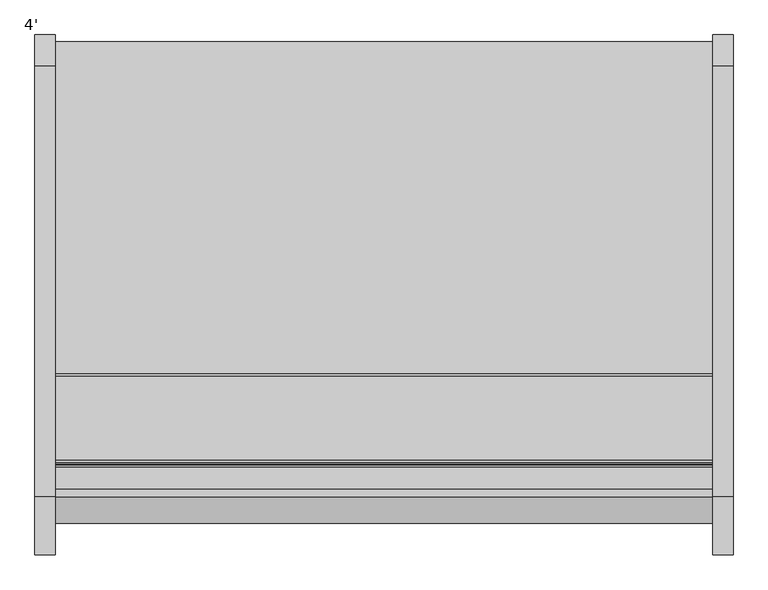
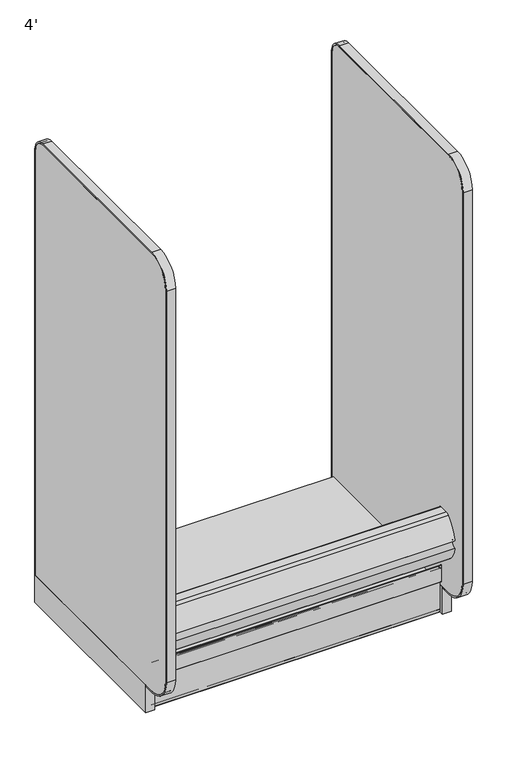
"""IFC4 building model written with IfcOpenShell, lengths in millimetres: proxy geometry, 4'."""

from ifc_helpers import new_model, si_unit, point, frame, frame_2d, origin, origin_with_axes, place, context, project, spatial, polyline, circle_curve, trimmed, segment, composite_curve, outline, extrude, source, transform, mapped, element, save
from ifc_brep_helpers import plane_surface, cylinder_surface, revolved_surface, advanced_brep


def proxy_4_6ca3ebfe(model_context):
    return source(origin(), model_context, "Body", "SolidModel", [
        extrude(outline(composite_curve([segment(polyline([(-1243.8542655, 286.2737065), (-1261.7115584, 286.2737065)]), True, "CONTINUOUS"), segment(trimmed(circle_curve(frame_2d((-1260.9098694, 292.6237065)), 6.4004067), [point((-1261.7115584, 286.2737065))], [point((-1265.7089904, 288.3888933))], False, "CARTESIAN"), True, "CONTINUOUS"), segment(trimmed(circle_curve(frame_2d((-1170.6951097, 372.230503)), 126.7164276), [point((-1265.7089904, 288.3888933))], [point((-1295.6416388, 351.1255769))], False, "CARTESIAN"), True, "CONTINUOUS"), segment(trimmed(circle_curve(frame_2d((-1293.1554914, 368.3)), 17.3534359), [point((-1295.6416388, 351.1255769))], [point((-1275.8020556, 368.3))], True, "CARTESIAN"), True, "CONTINUOUS"), segment(trimmed(circle_curve(frame_2d((-1293.1554914, 368.3)), 17.3534359), [point((-1275.8020556, 368.3))], [point((-1295.5974754, 385.4807581))], True, "CARTESIAN"), True, "CONTINUOUS"), segment(trimmed(circle_curve(frame_2d((-1123.5833576, 340.4920564)), 177.8), [point((-1295.5974754, 385.4807581))], [point((-1246.7017432, 468.7679432))], False, "CARTESIAN"), True, "CONTINUOUS"), segment(trimmed(circle_curve(frame_2d((-1231.2086688, 452.6258548)), 22.3741452), [point((-1246.7017432, 468.7679432))], [point((-1231.2086688, 475.0))], False, "CARTESIAN"), True, "CONTINUOUS"), segment(polyline([(-1231.2086688, 475.0), (-1191.1416396, 475.0)]), True, "CONTINUOUS"), segment(trimmed(circle_curve(frame_2d((-1191.1416396, 471.8702298)), 3.1297702), [point((-1191.1416396, 475.0))], [point((-1188.0118694, 471.8702298))], False, "CARTESIAN"), True, "CONTINUOUS"), segment(polyline([(-1188.0118694, 471.8702298), (-1188.0118694, 435.4061531), (-1192.8459273, 435.4061531), (-1192.8459273, 391.0306785), (-1243.8542655, 391.0306785), (-1243.8542655, 286.2737065)]), True, "CONTINUOUS")], self_intersect=False)), frame((0.0, 0.0, 0.0), z_axis=(1.0, 0.0, 0.0), x_axis=(0.0, 1.0, 0.0)), (0.0, 0.0, 1.0), 1219.2),
        advanced_brep(
        [(1219.2, -1193.9235446, 202.62215), (1219.2, -1191.4724446, 200.17105), (1219.2, -1185.3954946, 200.17105), (1219.2, -1183.7952946, 198.57085), (1219.2, -1183.7952946, 164.8413675), (1219.2, -1185.5732946, 164.8413675), (1219.2, -1185.5732946, 1.55575), (1219.2, -1184.0175446, 0.0), (1219.2, -1166.8090379, 0.0), (1219.2, -1166.8090379, 0.762), (1219.2, -1184.0175446, 0.762), (1219.2, -1184.8112946, 1.55575), (1219.2, -1183.7952946, 1.55575), (1219.2, -1183.7952946, 95.4659), (1219.2, -1182.9316946, 95.4659), (1219.2, -1182.9316946, 198.57085), (1219.2, -1185.3954946, 201.03465), (1219.2, -1191.3975765, 201.03465), (1219.2, -1193.0599446, 202.6970181), (1219.2, -1193.0599446, 214.9081137), (1219.2, -1194.8379446, 214.9081137), (1219.2, -1194.8379446, 140.8717318), (1219.2, -1193.0599446, 140.8717318), (1219.2, -1193.0599446, 150.2537), (1219.2, -1193.9235446, 150.2537), (0.0, -1193.9235446, 202.62215), (0.0, -1193.9235446, 150.2537), (0.0, -1193.0599446, 150.2537), (0.0, -1193.0599446, 140.8717318), (0.0, -1194.8379446, 140.8717318), (0.0, -1194.8379446, 214.9081137), (0.0, -1193.0599446, 214.9081137), (0.0, -1193.0599446, 202.6970181), (0.0, -1191.3975765, 201.03465), (0.0, -1185.3954946, 201.03465), (0.0, -1182.9316946, 198.57085), (0.0, -1182.9316946, 95.4659), (0.0, -1183.7952946, 95.4659), (0.0, -1183.7952946, 1.55575), (0.0, -1184.8112946, 1.55575), (0.0, -1184.0175446, 0.762), (0.0, -1166.8090379, 0.762), (0.0, -1166.8090379, 0.0), (0.0, -1184.0175446, 0.0), (0.0, -1185.5732946, 1.55575), (0.0, -1185.5732946, 164.8413675), (0.0, -1183.7952946, 164.8413675), (0.0, -1183.7952946, 198.57085), (0.0, -1185.3954946, 200.17105), (0.0, -1191.4724446, 200.17105)],
        [
            (0, 1, circle_curve(frame((1219.2, -1191.4724446, 202.62215), z_axis=(1.0, 0.0, 0.0), x_axis=(0.0, 1.0, 0.0)), 2.4511)),
            (1, 2),
            (2, 3, circle_curve(frame((1219.2, -1185.3954946, 198.57085), z_axis=(-1.0, 0.0, 0.0), x_axis=(0.0, 1.0, 0.0)), 1.6002)),
            (3, 4),
            (4, 5, circle_curve(frame((1219.2, -1184.6842946, 164.8413675), z_axis=(1.0, 0.0, 0.0), x_axis=(0.0, 1.0, 0.0)), 0.889)),
            (5, 6),
            (6, 7, circle_curve(frame((1219.2, -1184.0175446, 1.55575), z_axis=(1.0, 0.0, 0.0), x_axis=(0.0, 1.0, 0.0)), 1.55575)),
            (7, 8),
            (8, 9, circle_curve(frame((1219.2, -1166.8090379, 0.381), z_axis=(1.0, 0.0, 0.0), x_axis=(0.0, 1.0, 0.0)), 0.381)),
            (9, 10),
            (10, 11, circle_curve(frame((1219.2, -1184.0175446, 1.55575), z_axis=(-1.0, 0.0, 0.0), x_axis=(0.0, 1.0, 0.0)), 0.79375)),
            (11, 12),
            (12, 13),
            (13, 14),
            (14, 15),
            (15, 16, circle_curve(frame((1219.2, -1185.3954946, 198.57085), z_axis=(1.0, 0.0, 0.0), x_axis=(0.0, 1.0, 0.0)), 2.4638)),
            (16, 17),
            (17, 18, circle_curve(frame((1219.2, -1191.3975765, 202.6970181), z_axis=(-1.0, 0.0, 0.0), x_axis=(0.0, 1.0, 0.0)), 1.6623681)),
            (18, 19),
            (19, 20, circle_curve(frame((1219.2, -1193.9489446, 214.9081137), z_axis=(1.0, 0.0, 0.0), x_axis=(0.0, 1.0, 0.0)), 0.889)),
            (20, 21),
            (21, 22, circle_curve(frame((1219.2, -1193.9489446, 140.8717318), z_axis=(1.0, 0.0, 0.0), x_axis=(0.0, 1.0, 0.0)), 0.889)),
            (22, 23),
            (23, 24),
            (24, 0),
            (25, 26),
            (26, 27),
            (27, 28),
            (28, 29, circle_curve(frame((0.0, -1193.9489446, 140.8717318), z_axis=(-1.0, 0.0, 0.0), x_axis=(0.0, 1.0, 0.0)), 0.889)),
            (29, 30),
            (30, 31, circle_curve(frame((0.0, -1193.9489446, 214.9081137), z_axis=(-1.0, 0.0, 0.0), x_axis=(0.0, 1.0, 0.0)), 0.889)),
            (31, 32),
            (32, 33, circle_curve(frame((0.0, -1191.3975765, 202.6970181), z_axis=(1.0, 0.0, 0.0), x_axis=(0.0, 1.0, 0.0)), 1.6623681)),
            (33, 34),
            (34, 35, circle_curve(frame((0.0, -1185.3954946, 198.57085), z_axis=(-1.0, 0.0, 0.0), x_axis=(0.0, 1.0, 0.0)), 2.4638)),
            (35, 36),
            (36, 37),
            (37, 38),
            (38, 39),
            (39, 40, circle_curve(frame((0.0, -1184.0175446, 1.55575), z_axis=(1.0, 0.0, 0.0), x_axis=(0.0, 1.0, 0.0)), 0.79375)),
            (40, 41),
            (41, 42, circle_curve(frame((0.0, -1166.8090379, 0.381), z_axis=(-1.0, 0.0, 0.0), x_axis=(0.0, 1.0, 0.0)), 0.381)),
            (42, 43),
            (43, 44, circle_curve(frame((0.0, -1184.0175446, 1.55575), z_axis=(-1.0, 0.0, 0.0), x_axis=(0.0, 1.0, 0.0)), 1.55575)),
            (44, 45),
            (45, 46, circle_curve(frame((0.0, -1184.6842946, 164.8413675), z_axis=(-1.0, 0.0, 0.0), x_axis=(0.0, 1.0, 0.0)), 0.889)),
            (46, 47),
            (47, 48, circle_curve(frame((0.0, -1185.3954946, 198.57085), z_axis=(1.0, 0.0, 0.0), x_axis=(0.0, 1.0, 0.0)), 1.6002)),
            (48, 49),
            (49, 25, circle_curve(frame((0.0, -1191.4724446, 202.62215), z_axis=(-1.0, 0.0, 0.0), x_axis=(0.0, 1.0, 0.0)), 2.4511)),
            (0, 25),
            (49, 1),
            (48, 2),
            (47, 3),
            (46, 4),
            (45, 5),
            (44, 6),
            (43, 7),
            (42, 8),
            (41, 9),
            (40, 10),
            (39, 11),
            (38, 12),
            (37, 13),
            (36, 14),
            (35, 15),
            (34, 16),
            (33, 17),
            (32, 18),
            (31, 19),
            (30, 20),
            (29, 21),
            (28, 22),
            (27, 23),
            (26, 24),
        ],
        [
            plane_surface(frame((1219.2, -1189.0213446, 202.62215), z_axis=(1.0, 0.0, 0.0), x_axis=(0.0, 0.0, 1.0))),
            plane_surface(frame((0.0, -1189.0213446, 202.62215), z_axis=(-1.0, 0.0, 0.0), x_axis=(0.0, 0.0, -1.0))),
            cylinder_surface(frame((0.0, -1191.4724446, 202.62215), z_axis=(1.0, 0.0, 0.0), x_axis=(0.0, 1.0, 0.0)), 2.4511),
            plane_surface(frame((1219.2, -1191.4724446, 200.17105), z_axis=(0.0, 0.0, -1.0), x_axis=(-1.0, 0.0, 0.0))),
            revolved_surface(polyline([(0.0, -1183.7952945999998, 198.57085), (1219.2, -1183.7952945999998, 198.57085)]), (0.0, -1185.3954946, 198.57085), (-1.0, 0.0, 0.0)),
            plane_surface(frame((1219.2, -1183.7952946, 198.57085), z_axis=(0.0, -1.0, 0.0), x_axis=(-1.0, 0.0, 0.0))),
            cylinder_surface(frame((0.0, -1184.6842946, 164.8413675), z_axis=(1.0, 0.0, 0.0), x_axis=(0.0, 1.0, 0.0)), 0.889),
            plane_surface(frame((1219.2, -1185.5732946, 164.8413675), z_axis=(0.0, -1.0, 0.0), x_axis=(-1.0, 0.0, 0.0))),
            cylinder_surface(frame((0.0, -1184.0175446, 1.55575), z_axis=(1.0, 0.0, 0.0), x_axis=(0.0, 1.0, 0.0)), 1.55575),
            plane_surface(frame((1219.2, -1184.0175446, 0.0), z_axis=(0.0, 0.0, -1.0), x_axis=(-1.0, 0.0, 0.0))),
            cylinder_surface(frame((0.0, -1166.8090379, 0.381), z_axis=(1.0, 0.0, 0.0), x_axis=(0.0, 1.0, 0.0)), 0.381),
            plane_surface(frame((1219.2, -1166.8090379, 0.762), z_axis=(0.0, 0.0, 1.0), x_axis=(-1.0, 0.0, 0.0))),
            revolved_surface(polyline([(0.0, -1183.2237946, 1.55575), (1219.2, -1183.2237946, 1.55575)]), (0.0, -1184.0175446, 1.55575), (-1.0, 0.0, 0.0)),
            plane_surface(frame((1219.2, -1184.8112946, 1.55575), z_axis=(0.0, 0.0, -1.0), x_axis=(-1.0, 0.0, 0.0))),
            plane_surface(frame((1219.2, -1183.7952946, 1.55575), z_axis=(0.0, 1.0, 0.0), x_axis=(-1.0, 0.0, 0.0))),
            plane_surface(frame((1219.2, -1183.7952946, 95.4659), z_axis=(0.0, 0.0, -1.0), x_axis=(-1.0, 0.0, 0.0))),
            plane_surface(frame((1219.2, -1182.9316946, 95.4659), z_axis=(0.0, 1.0, 0.0), x_axis=(-1.0, 0.0, 0.0))),
            cylinder_surface(frame((0.0, -1185.3954946, 198.57085), z_axis=(1.0, 0.0, 0.0), x_axis=(0.0, 1.0, 0.0)), 2.4638),
            plane_surface(frame((1219.2, -1185.3954946, 201.03465), z_axis=(0.0, 0.0, 1.0), x_axis=(-1.0, 0.0, 0.0))),
            revolved_surface(polyline([(0.0, -1189.7352084, 202.6970181), (1219.2, -1189.7352084, 202.6970181)]), (0.0, -1191.3975765, 202.6970181), (-1.0, 0.0, 0.0)),
            plane_surface(frame((1219.2, -1193.0599446, 202.6970181), z_axis=(0.0, 1.0, 0.0), x_axis=(-1.0, 0.0, 0.0))),
            cylinder_surface(frame((0.0, -1193.9489446, 214.9081137), z_axis=(1.0, 0.0, 0.0), x_axis=(0.0, 1.0, 0.0)), 0.889),
            plane_surface(frame((1219.2, -1194.8379446, 214.9081137), z_axis=(0.0, -1.0, 0.0), x_axis=(-1.0, 0.0, 0.0))),
            cylinder_surface(frame((0.0, -1193.9489446, 140.8717318), z_axis=(1.0, 0.0, 0.0), x_axis=(0.0, 1.0, 0.0)), 0.889),
            plane_surface(frame((1219.2, -1193.0599446, 140.8717318), z_axis=(0.0, 1.0, 0.0), x_axis=(-1.0, 0.0, 0.0))),
            plane_surface(frame((1219.2, -1193.0599446, 150.2537), z_axis=(0.0, 0.0, 1.0), x_axis=(-1.0, 0.0, 0.0))),
            plane_surface(frame((1219.2, -1193.9235446, 150.2537), z_axis=(0.0, 1.0, 0.0), x_axis=(-1.0, 0.0, 0.0))),
        ],
        [
            (0, [[1, 2, 3, 4, 5, 6, 7, 8, 9, 10, 11, 12, 13, 14, 15, 16, 17, 18, 19, 20, 21, 22, 23, 24, 25]]),
            (1, [[26, 27, 28, 29, 30, 31, 32, 33, 34, 35, 36, 37, 38, 39, 40, 41, 42, 43, 44, 45, 46, 47, 48, 49, 50]]),
            (2, [[-1, 51, -50, 52]]),
            (3, [[-2, -52, -49, 53]]),
            (4, [[-3, -53, -48, 54]]),
            (5, [[-4, -54, -47, 55]]),
            (6, [[-5, -55, -46, 56]]),
            (7, [[-6, -56, -45, 57]]),
            (8, [[-7, -57, -44, 58]]),
            (9, [[-8, -58, -43, 59]]),
            (10, [[-9, -59, -42, 60]]),
            (11, [[-10, -60, -41, 61]]),
            (12, [[-11, -61, -40, 62]]),
            (13, [[-12, -62, -39, 63]]),
            (14, [[-13, -63, -38, 64]]),
            (15, [[-14, -64, -37, 65]]),
            (16, [[-15, -65, -36, 66]]),
            (17, [[-16, -66, -35, 67]]),
            (18, [[-17, -67, -34, 68]]),
            (19, [[-18, -68, -33, 69]]),
            (20, [[-19, -69, -32, 70]]),
            (21, [[-20, -70, -31, 71]]),
            (22, [[-21, -71, -30, 72]]),
            (23, [[-22, -72, -29, 73]]),
            (24, [[-23, -73, -28, 74]]),
            (25, [[-24, -74, -27, 75]]),
            (26, [[-25, -75, -26, -51]]),
        ],
    ),
        extrude(outline(composite_curve([segment(polyline([(-1017.4379946, 26.7240044), (-1086.7444337, 8.1534), (-1178.9692946, 8.1534)]), True, "CONTINUOUS"), segment(trimmed(circle_curve(frame_2d((-1178.9692946, 12.1158)), 3.9624), [point((-1178.9692946, 8.1534))], [point((-1182.9316946, 12.1158))], False, "CARTESIAN"), True, "CONTINUOUS"), segment(polyline([(-1182.9316946, 12.1158), (-1182.9316946, 123.6472)]), True, "CONTINUOUS"), segment(trimmed(circle_curve(frame_2d((-1177.7754946, 123.6472)), 5.1562), [point((-1182.9316946, 123.6472))], [point((-1177.7754946, 128.8034))], False, "CARTESIAN"), True, "CONTINUOUS"), segment(polyline([(-1177.7754946, 128.8034), (-1022.5941946, 128.8034)]), True, "CONTINUOUS"), segment(trimmed(circle_curve(frame_2d((-1022.5941946, 123.6472)), 5.1562), [point((-1022.5941946, 128.8034))], [point((-1017.4379946, 123.6472))], False, "CARTESIAN"), True, "CONTINUOUS"), segment(polyline([(-1017.4379946, 123.6472), (-1017.4379946, 26.7240044)]), True, "CONTINUOUS")], self_intersect=False)), frame((0.0, 0.0, 0.0), z_axis=(1.0, 0.0, 0.0), x_axis=(0.0, 1.0, 0.0)), (0.0, 0.0, 1.0), 1219.2),
        extrude(outline(composite_curve([segment(trimmed(circle_curve(frame_2d((-403.8965273, 5.1562)), 2.3876), [point((-401.5089273, 5.1562))], [point((-403.8965273, 2.7686))], False, "CARTESIAN"), True, "CONTINUOUS"), segment(polyline([(-403.8965273, 2.7686), (-436.5089273, 2.7686), (-436.5089273, 74.8810382), (-980.5089273, 74.8810382), (-980.5089273, 2.7751857), (-1015.0491667, 2.7751857)]), True, "CONTINUOUS"), segment(trimmed(circle_curve(frame_2d((-1015.0491667, 5.1667924)), 2.3916067), [point((-1015.0491667, 2.7751857))], [point((-1017.4407734, 5.1667924))], False, "CARTESIAN"), True, "CONTINUOUS"), segment(polyline([(-1017.4407734, 5.1667924), (-1017.4407734, 130.175), (-401.5089273, 130.175), (-401.5089273, 5.1562)]), True, "CONTINUOUS")], self_intersect=False)), frame((0.0, 0.0, 0.0), z_axis=(1.0, 0.0, 0.0), x_axis=(0.0, 1.0, 0.0)), (0.0, 0.0, 1.0), 1219.2),
        extrude(outline(composite_curve([segment(polyline([(-395.1589273, 123.825), (-1245.9560256, 123.825)]), True, "CONTINUOUS"), segment(trimmed(circle_curve(frame_2d((-1245.9560256, 225.425)), 101.6), [point((-1245.9560256, 123.825))], [point((-1347.5560256, 225.425))], False, "CARTESIAN"), True, "CONTINUOUS"), segment(polyline([(-1347.5560256, 225.425), (-1347.5560256, 1978.025)]), True, "CONTINUOUS"), segment(trimmed(circle_curve(frame_2d((-1245.9560256, 1978.025)), 101.6), [point((-1347.5560256, 1978.025))], [point((-1245.9560256, 2079.625))], False, "CARTESIAN"), True, "CONTINUOUS"), segment(polyline([(-1245.9560256, 2079.625), (-445.9589273, 2079.625)]), True, "CONTINUOUS"), segment(trimmed(circle_curve(frame_2d((-445.9589273, 2028.825)), 50.8), [point((-445.9589273, 2079.625))], [point((-395.1589273, 2028.825))], False, "CARTESIAN"), True, "CONTINUOUS"), segment(polyline([(-395.1589273, 2028.825), (-395.1589273, 123.825)]), True, "CONTINUOUS")], self_intersect=False)), frame((1219.2, 0.0, 0.0), z_axis=(1.0, 0.0, 0.0), x_axis=(0.0, 1.0, 0.0)), (0.0, 0.0, 1.0), 38.1),
        extrude(outline(composite_curve([segment(polyline([(-445.9589273, 2079.625), (-1245.9560256, 2079.625)]), True, "CONTINUOUS"), segment(trimmed(circle_curve(frame_2d((-1245.9560256, 1978.025)), 101.6), [point((-1245.9560256, 2079.625))], [point((-1347.5560256, 1978.025))], True, "CARTESIAN"), True, "CONTINUOUS"), segment(polyline([(-1347.5560256, 1978.025), (-1347.5560256, 225.425)]), True, "CONTINUOUS"), segment(trimmed(circle_curve(frame_2d((-1245.9560256, 225.425)), 101.6), [point((-1347.5560256, 225.425))], [point((-1245.9560256, 123.825))], True, "CARTESIAN"), True, "CONTINUOUS"), segment(polyline([(-1245.9560256, 123.825), (-1202.4531511, 123.825), (-1202.4531511, 117.475), (-1245.9560256, 117.475)]), True, "CONTINUOUS"), segment(trimmed(circle_curve(frame_2d((-1245.9560256, 225.425)), 107.95), [point((-1245.9560256, 117.475))], [point((-1353.9060256, 225.425))], False, "CARTESIAN"), True, "CONTINUOUS"), segment(polyline([(-1353.9060256, 225.425), (-1353.9060256, 1978.025)]), True, "CONTINUOUS"), segment(trimmed(circle_curve(frame_2d((-1245.9560256, 1978.025)), 107.95), [point((-1353.9060256, 1978.025))], [point((-1245.9560256, 2085.975))], False, "CARTESIAN"), True, "CONTINUOUS"), segment(polyline([(-1245.9560256, 2085.975), (-445.9589273, 2085.975)]), True, "CONTINUOUS"), segment(trimmed(circle_curve(frame_2d((-445.9589273, 2028.825)), 57.15), [point((-445.9589273, 2085.975))], [point((-388.8089273, 2028.825))], False, "CARTESIAN"), True, "CONTINUOUS"), segment(polyline([(-388.8089273, 2028.825), (-388.8089273, 123.825), (-395.1589273, 123.825), (-395.1589273, 2028.825)]), True, "CONTINUOUS"), segment(trimmed(circle_curve(frame_2d((-445.9589273, 2028.825)), 50.8), [point((-395.1589273, 2028.825))], [point((-445.9589273, 2079.625))], True, "CARTESIAN"), True, "CONTINUOUS")], self_intersect=False)), frame((1219.2, 0.0, 0.0), z_axis=(1.0, 0.0, 0.0), x_axis=(0.0, 1.0, 0.0)), (0.0, 0.0, 1.0), 38.1),
        extrude(outline(polyline([(1257.3, -388.8089273), (1257.3, -1202.4531511), (1219.2, -1202.4531511), (1219.2, -388.8089273), (1257.3, -388.8089273)])), origin_with_axes(), (0.0, 0.0, 1.0), 123.825),
        extrude(outline(composite_curve([segment(polyline([(-395.1589273, 123.825), (-1245.9560256, 123.825)]), True, "CONTINUOUS"), segment(trimmed(circle_curve(frame_2d((-1245.9560256, 225.425)), 101.6), [point((-1245.9560256, 123.825))], [point((-1347.5560256, 225.425))], False, "CARTESIAN"), True, "CONTINUOUS"), segment(polyline([(-1347.5560256, 225.425), (-1347.5560256, 1978.025)]), True, "CONTINUOUS"), segment(trimmed(circle_curve(frame_2d((-1245.9560256, 1978.025)), 101.6), [point((-1347.5560256, 1978.025))], [point((-1245.9560256, 2079.625))], False, "CARTESIAN"), True, "CONTINUOUS"), segment(polyline([(-1245.9560256, 2079.625), (-445.9589273, 2079.625)]), True, "CONTINUOUS"), segment(trimmed(circle_curve(frame_2d((-445.9589273, 2028.825)), 50.8), [point((-445.9589273, 2079.625))], [point((-395.1589273, 2028.825))], False, "CARTESIAN"), True, "CONTINUOUS"), segment(polyline([(-395.1589273, 2028.825), (-395.1589273, 123.825)]), True, "CONTINUOUS")], self_intersect=False)), frame((-38.1, 0.0, 0.0), z_axis=(1.0, 0.0, 0.0), x_axis=(0.0, 1.0, 0.0)), (0.0, 0.0, 1.0), 38.1),
        extrude(outline(composite_curve([segment(polyline([(-445.9589273, 2079.625), (-1245.9560256, 2079.625)]), True, "CONTINUOUS"), segment(trimmed(circle_curve(frame_2d((-1245.9560256, 1978.025)), 101.6), [point((-1245.9560256, 2079.625))], [point((-1347.5560256, 1978.025))], True, "CARTESIAN"), True, "CONTINUOUS"), segment(polyline([(-1347.5560256, 1978.025), (-1347.5560256, 225.425)]), True, "CONTINUOUS"), segment(trimmed(circle_curve(frame_2d((-1245.9560256, 225.425)), 101.6), [point((-1347.5560256, 225.425))], [point((-1245.9560256, 123.825))], True, "CARTESIAN"), True, "CONTINUOUS"), segment(polyline([(-1245.9560256, 123.825), (-1202.4531511, 123.825), (-1202.4531511, 117.475), (-1245.9560256, 117.475)]), True, "CONTINUOUS"), segment(trimmed(circle_curve(frame_2d((-1245.9560256, 225.425)), 107.95), [point((-1245.9560256, 117.475))], [point((-1353.9060256, 225.425))], False, "CARTESIAN"), True, "CONTINUOUS"), segment(polyline([(-1353.9060256, 225.425), (-1353.9060256, 1978.025)]), True, "CONTINUOUS"), segment(trimmed(circle_curve(frame_2d((-1245.9560256, 1978.025)), 107.95), [point((-1353.9060256, 1978.025))], [point((-1245.9560256, 2085.975))], False, "CARTESIAN"), True, "CONTINUOUS"), segment(polyline([(-1245.9560256, 2085.975), (-445.9589273, 2085.975)]), True, "CONTINUOUS"), segment(trimmed(circle_curve(frame_2d((-445.9589273, 2028.825)), 57.15), [point((-445.9589273, 2085.975))], [point((-388.8089273, 2028.825))], False, "CARTESIAN"), True, "CONTINUOUS"), segment(polyline([(-388.8089273, 2028.825), (-388.8089273, 123.825), (-395.1589273, 123.825), (-395.1589273, 2028.825)]), True, "CONTINUOUS"), segment(trimmed(circle_curve(frame_2d((-445.9589273, 2028.825)), 50.8), [point((-395.1589273, 2028.825))], [point((-445.9589273, 2079.625))], True, "CARTESIAN"), True, "CONTINUOUS")], self_intersect=False)), frame((-38.1, 0.0, 0.0), z_axis=(1.0, 0.0, 0.0), x_axis=(0.0, 1.0, 0.0)), (0.0, 0.0, 1.0), 38.1),
        extrude(outline(polyline([(0.0, -388.8089273), (0.0, -1202.4531511), (-38.1, -1202.4531511), (-38.1, -388.8089273), (0.0, -388.8089273)])), origin_with_axes(), (0.0, 0.0, 1.0), 123.825),
    ])


if __name__ == "__main__":
    model = new_model("IFC4")
    model_context = context("Model", 3, world=origin())
    ifc_project = project(units=[si_unit("LENGTHUNIT", "METRE", prefix="MILLI")], contexts=[model_context])
    site = spatial("IfcSite", under=ifc_project)
    building = spatial("IfcBuilding", under=site)
    placement = place(None, origin())
    proxy_4_shape = proxy_4_6ca3ebfe(model_context)
    element("IfcBuildingElementProxy", 1, Name="4'", ObjectType="4'", at=placement, inside=building, context=model_context, shape_type="MappedRepresentation", body=[
        mapped(proxy_4_shape, transform((0.0, 0.0, 0.0), x_axis=(1.0, 0.0, 0.0), y_axis=(0.0, 1.0, 0.0), z_axis=(0.0, 0.0, 1.0))),
    ])
    save(model, "model.ifc")
